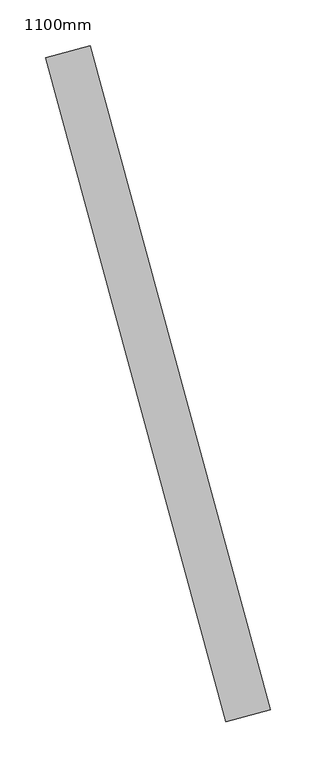
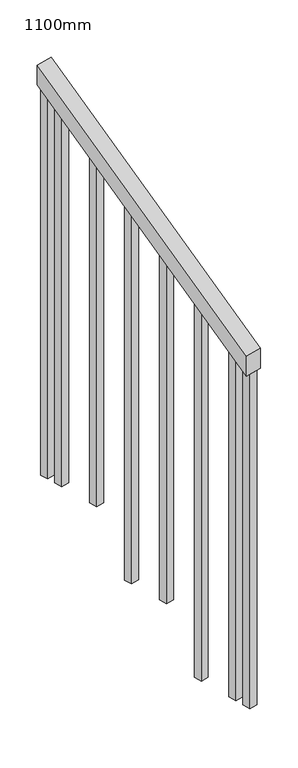
"""IFC4 building model written with IfcOpenShell, lengths in millimetres: railing geometry, 1100mm."""

from ifc_helpers import new_model, si_unit, frame, origin, place, context, project, spatial, polyline, outline, extrude, source, transform, mapped, element, save


def railing_1100mm_189e6682(model_context):
    return source(origin(), model_context, "Body", "SweptSolid", [
        extrude(outline(polyline([(-35.5555555, -50.0), (0.0, 0.0), (920.2958462, 0.0), (884.7402906, -50.0), (-35.5555555, -50.0)])), frame((140916.3903971, -86087.9036342, 1277.7777778), z_axis=(0.9649894123601837, 0.26228883703418915, 0.0), x_axis=(-0.2137536843159581, 0.7864232597554026, 0.5795237863600082)), (0.0, 0.0, 1.0), 50.0),
        extrude(outline(polyline([(1271.980277, -25.0), (108.8888889, -25.0), (91.1111112, 0.0), (1271.980277, 0.0), (1271.980277, -25.0)])), frame((140744.8505788, -85409.1324351, 1805.3136103), z_axis=(0.9649894123601837, 0.26228883703418915, 0.0), x_axis=(0.0, 0.0, -1.0)), (0.0, 0.0, 1.0), 25.0),
        extrude(outline(polyline([(1183.0913881, -25.0), (108.8888889, -25.0), (91.1111111, 0.0), (1183.0913881, 0.0), (1183.0913881, -25.0)])), frame((140777.6366835, -85529.7561116, 1716.4247214), z_axis=(0.9649894123601837, 0.26228883703418915, 0.0), x_axis=(0.0, 0.0, -1.0)), (0.0, 0.0, 1.0), 25.0),
        extrude(outline(polyline([(1271.9802769, -25.0), (108.8888889, -25.0), (91.1111111, 0.0), (1271.9802769, 0.0), (1271.9802769, -25.0)])), frame((140810.4227881, -85650.3797882, 1627.5358325), z_axis=(0.9649894123601837, 0.26228883703418915, 0.0), x_axis=(0.0, 0.0, -1.0)), (0.0, 0.0, 1.0), 25.0),
        extrude(outline(polyline([(1183.091388, -25.0), (108.8888889, -25.0), (91.1111111, 0.0), (1183.091388, 0.0), (1183.091388, -25.0)])), frame((140843.2088927, -85771.0034647, 1538.6469436), z_axis=(0.9649894123601837, 0.26228883703418915, 0.0), x_axis=(0.0, 0.0, -1.0)), (0.0, 0.0, 1.0), 25.0),
        extrude(outline(polyline([(1271.9802769, -25.0000001), (108.8888889, -25.0000001), (91.1111111, 0.0), (1271.9802769, 0.0), (1271.9802769, -25.0000001)])), frame((140875.9949974, -85891.6271412, 1449.7580547), z_axis=(0.9649894123601837, 0.26228883703418915, 0.0), x_axis=(0.0, 0.0, -1.0)), (0.0, 0.0, 1.0), 25.0),
        extrude(outline(polyline([(1183.091388, -25.0), (108.8888889, -25.0), (91.1111111, 0.0), (1183.091388, 0.0), (1183.091388, -25.0)])), frame((140908.781102, -86012.2508178, 1360.8691658), z_axis=(0.9649894123601837, 0.26228883703418915, 0.0), x_axis=(0.0, 0.0, -1.0)), (0.0, 0.0, 1.0), 25.0),
        extrude(outline(polyline([(1307.5358325, -25.0000001), (108.8888889, -25.0000001), (91.1111111, 0.0), (1307.5358325, 0.0), (1307.5358325, -25.0000001)])), frame((140731.736137, -85360.8829644, 1840.8691658), z_axis=(0.9649894123601837, 0.26228883703418915, 0.0), x_axis=(0.0, 0.0, -1.0)), (0.0, 0.0, 1.0), 25.0),
        extrude(outline(polyline([(1147.5358325, -25.0), (108.8888889, -25.0), (91.1111112, 0.0), (1147.5358325, 0.0), (1147.5358325, -25.0)])), frame((140921.8955438, -86060.5002884, 1325.3136103), z_axis=(0.9649894123601837, 0.26228883703418915, 0.0), x_axis=(0.0, 0.0, -1.0)), (0.0, 0.0, 1.0), 25.0),
    ])


if __name__ == "__main__":
    model = new_model("IFC4")
    model_context = context("Model", 3, world=origin())
    ifc_project = project(units=[si_unit("LENGTHUNIT", "METRE", prefix="MILLI")], contexts=[model_context])
    site = spatial("IfcSite", under=ifc_project)
    building = spatial("IfcBuilding", under=site)
    placement = place(None, origin())
    railing_1100mm_shape = railing_1100mm_189e6682(model_context)
    element("IfcRailing", 1, ObjectType="1100mm", at=placement, inside=building, context=model_context, shape_type="MappedRepresentation", body=[
        mapped(railing_1100mm_shape, transform((0.0, 0.0, 0.0), x_axis=(1.0, 0.0, 0.0), y_axis=(0.0, 1.0, 0.0), z_axis=(0.0, 0.0, 1.0))),
    ])
    save(model, "model.ifc")
